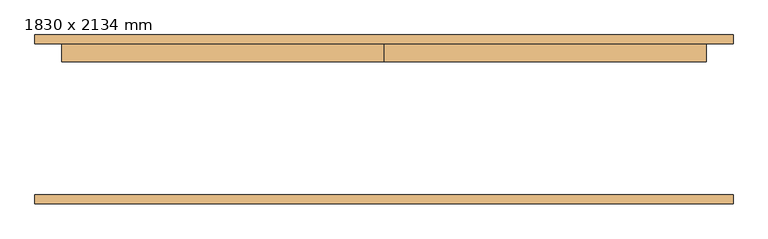
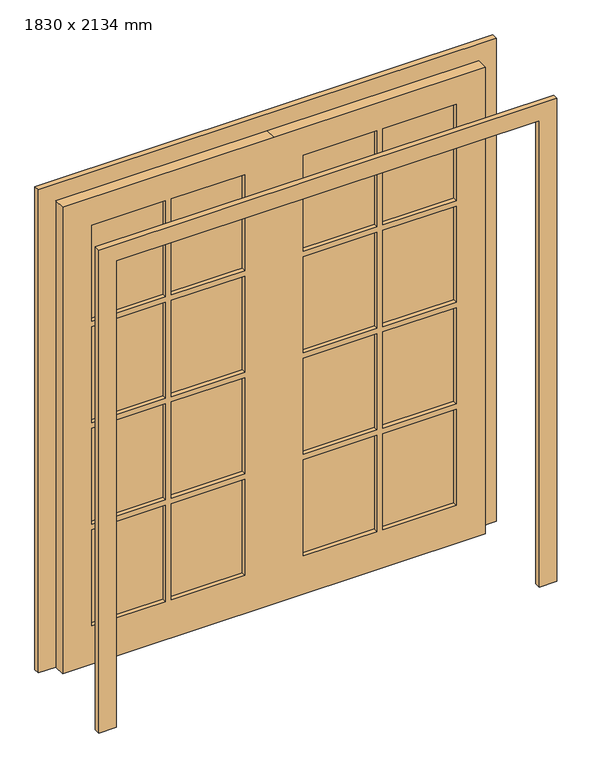
"""IFC4 building model written with IfcOpenShell, lengths in millimetres: door geometry, 1830 x 2134 mm."""

from ifc_helpers import new_model, si_unit, frame, origin, place, context, project, spatial, polyline, outline, extrude, source, transform, mapped, element, save


def door_1830_x_2134_mm_bb0823d5(model_context):
    return source(origin(), model_context, "Body", "SweptSolid", [
        extrude(outline(polyline([(470.0, 195.45), (788.0, 195.45), (788.0, 182.75), (470.0, 182.75), (470.0, 195.45)])), frame((0.0, 0.0, 1569.25), z_axis=(0.0, 0.0, 1.0), x_axis=(1.0, 0.0, 0.0)), (0.0, 0.0, 1.0), 439.75),
        extrude(outline(polyline([(127.0, 195.45), (445.0, 195.45), (445.0, 182.75), (127.0, 182.75), (127.0, 195.45)])), frame((0.0, 0.0, 1569.25), z_axis=(0.0, 0.0, 1.0), x_axis=(1.0, 0.0, 0.0)), (0.0, 0.0, 1.0), 439.75),
        extrude(outline(polyline([(-445.0, 195.45), (-127.0, 195.45), (-127.0, 182.75), (-445.0, 182.75), (-445.0, 195.45)])), frame((0.0, 0.0, 1569.25), z_axis=(0.0, 0.0, 1.0), x_axis=(1.0, 0.0, 0.0)), (0.0, 0.0, 1.0), 439.75),
        extrude(outline(polyline([(-788.0, 195.45), (-470.0, 195.45), (-470.0, 182.75), (-788.0, 182.75), (-788.0, 195.45)])), frame((0.0, 0.0, 1569.25), z_axis=(0.0, 0.0, 1.0), x_axis=(1.0, 0.0, 0.0)), (0.0, 0.0, 1.0), 439.75),
        extrude(outline(polyline([(-788.0, 195.45), (-470.0, 195.45), (-470.0, 182.75), (-788.0, 182.75), (-788.0, 195.45)])), frame((0.0, 0.0, 1104.5), z_axis=(0.0, 0.0, 1.0), x_axis=(1.0, 0.0, 0.0)), (0.0, 0.0, 1.0), 439.75),
        extrude(outline(polyline([(-445.0, 195.45), (-127.0, 195.45), (-127.0, 182.75), (-445.0, 182.75), (-445.0, 195.45)])), frame((0.0, 0.0, 1104.5), z_axis=(0.0, 0.0, 1.0), x_axis=(1.0, 0.0, 0.0)), (0.0, 0.0, 1.0), 439.75),
        extrude(outline(polyline([(127.0, 195.45), (445.0, 195.45), (445.0, 182.75), (127.0, 182.75), (127.0, 195.45)])), frame((0.0, 0.0, 1104.5), z_axis=(0.0, 0.0, 1.0), x_axis=(1.0, 0.0, 0.0)), (0.0, 0.0, 1.0), 439.75),
        extrude(outline(polyline([(470.0, 195.45), (788.0, 195.45), (788.0, 182.75), (470.0, 182.75), (470.0, 195.45)])), frame((0.0, 0.0, 1104.5), z_axis=(0.0, 0.0, 1.0), x_axis=(1.0, 0.0, 0.0)), (0.0, 0.0, 1.0), 439.75),
        extrude(outline(polyline([(470.0, 195.45), (788.0, 195.45), (788.0, 182.75), (470.0, 182.75), (470.0, 195.45)])), frame((0.0, 0.0, 639.75), z_axis=(0.0, 0.0, 1.0), x_axis=(1.0, 0.0, 0.0)), (0.0, 0.0, 1.0), 439.75),
        extrude(outline(polyline([(127.0, 195.45), (445.0, 195.45), (445.0, 182.75), (127.0, 182.75), (127.0, 195.45)])), frame((0.0, 0.0, 639.75), z_axis=(0.0, 0.0, 1.0), x_axis=(1.0, 0.0, 0.0)), (0.0, 0.0, 1.0), 439.75),
        extrude(outline(polyline([(-445.0, 195.45), (-127.0, 195.45), (-127.0, 182.75), (-445.0, 182.75), (-445.0, 195.45)])), frame((0.0, 0.0, 639.75), z_axis=(0.0, 0.0, 1.0), x_axis=(1.0, 0.0, 0.0)), (0.0, 0.0, 1.0), 439.75),
        extrude(outline(polyline([(-788.0, 195.45), (-470.0, 195.45), (-470.0, 182.75), (-788.0, 182.75), (-788.0, 195.45)])), frame((0.0, 0.0, 639.75), z_axis=(0.0, 0.0, 1.0), x_axis=(1.0, 0.0, 0.0)), (0.0, 0.0, 1.0), 439.75),
        extrude(outline(polyline([(470.0, 195.45), (788.0, 195.45), (788.0, 182.75), (470.0, 182.75), (470.0, 195.45)])), frame((0.0, 0.0, 175.0), z_axis=(0.0, 0.0, 1.0), x_axis=(1.0, 0.0, 0.0)), (0.0, 0.0, 1.0), 439.75),
        extrude(outline(polyline([(127.0, 195.45), (445.0, 195.45), (445.0, 182.75), (127.0, 182.75), (127.0, 195.45)])), frame((0.0, 0.0, 175.0), z_axis=(0.0, 0.0, 1.0), x_axis=(1.0, 0.0, 0.0)), (0.0, 0.0, 1.0), 439.75),
        extrude(outline(polyline([(-445.0, 195.45), (-127.0, 195.45), (-127.0, 182.75), (-445.0, 182.75), (-445.0, 195.45)])), frame((0.0, 0.0, 175.0), z_axis=(0.0, 0.0, 1.0), x_axis=(1.0, 0.0, 0.0)), (0.0, 0.0, 1.0), 439.75),
        extrude(outline(polyline([(-788.0, 195.45), (-470.0, 195.45), (-470.0, 182.75), (-788.0, 182.75), (-788.0, 195.45)])), frame((0.0, 0.0, 175.0), z_axis=(0.0, 0.0, 1.0), x_axis=(1.0, 0.0, 0.0)), (0.0, 0.0, 1.0), 439.75),
        extrude(outline(polyline([(2134.0, 0.0), (2134.0, -915.0), (0.0, -915.0), (0.0, 0.0), (0.0, 915.0), (2134.0, 915.0), (2134.0, 0.0)]), holes=[polyline([(2009.0, 470.0), (2009.0, 788.0), (1569.25, 788.0), (1569.25, 470.0), (2009.0, 470.0)]), polyline([(2009.0, 127.0), (2009.0, 445.0), (1569.25, 445.0), (1569.25, 127.0), (2009.0, 127.0)]), polyline([(1544.25, 470.0), (1544.25, 788.0), (1104.5, 788.0), (1104.5, 470.0), (1544.25, 470.0)]), polyline([(1544.25, 127.0), (1544.25, 445.0), (1104.5, 445.0), (1104.5, 127.0), (1544.25, 127.0)]), polyline([(1079.5, 470.0), (1079.5, 788.0), (639.75, 788.0), (639.75, 470.0), (1079.5, 470.0)]), polyline([(1079.5, 127.0), (1079.5, 445.0), (639.75, 445.0), (639.75, 127.0), (1079.5, 127.0)]), polyline([(614.75, 470.0), (614.75, 788.0), (175.0, 788.0), (175.0, 470.0), (614.75, 470.0)]), polyline([(614.75, 127.0), (614.75, 445.0), (175.0, 445.0), (175.0, 127.0), (614.75, 127.0)]), polyline([(2009.0, -445.0), (2009.0, -127.0), (1569.25, -127.0), (1569.25, -445.0), (2009.0, -445.0)]), polyline([(1544.25, -445.0), (1544.25, -127.0), (1104.5, -127.0), (1104.5, -445.0), (1544.25, -445.0)]), polyline([(1544.25, -470.0), (1104.5, -470.0), (1104.5, -788.0), (1544.25, -788.0), (1544.25, -470.0)]), polyline([(1079.5, -445.0), (1079.5, -127.0), (639.75, -127.0), (639.75, -445.0), (1079.5, -445.0)]), polyline([(1079.5, -470.0), (639.75, -470.0), (639.75, -788.0), (1079.5, -788.0), (1079.5, -470.0)]), polyline([(614.75, -445.0), (614.75, -127.0), (175.0, -127.0), (175.0, -445.0), (614.75, -445.0)]), polyline([(614.75, -788.0), (614.75, -470.0), (175.0, -470.0), (175.0, -788.0), (614.75, -788.0)]), polyline([(1569.25, -470.0), (1569.25, -788.0), (2009.0, -788.0), (2009.0, -470.0), (1569.25, -470.0)])]), frame((0.0, 163.5, 0.0), z_axis=(0.0, 1.0, 0.0), x_axis=(0.0, 0.0, 1.0)), (0.0, 0.0, 1.0), 51.0),
        extrude(outline(polyline([(2134.0, -915.0), (2134.0, 915.0), (0.0, 915.0), (0.0, 991.2), (2210.2, 991.2), (2210.2, -991.2), (0.0, -991.2), (0.0, -915.0), (2134.0, -915.0)])), frame((0.0, -239.5, 0.0), z_axis=(0.0, 1.0, 0.0), x_axis=(0.0, 0.0, 1.0)), (0.0, 0.0, 1.0), 25.0),
        extrude(outline(polyline([(2134.0, -915.0), (2134.0, 915.0), (0.0, 915.0), (0.0, 991.2), (2210.2, 991.2), (2210.2, -991.2), (0.0, -991.2), (0.0, -915.0), (2134.0, -915.0)])), frame((0.0, 214.5, 0.0), z_axis=(0.0, 1.0, 0.0), x_axis=(0.0, 0.0, 1.0)), (0.0, 0.0, 1.0), 25.0),
    ])


if __name__ == "__main__":
    model = new_model("IFC4")
    model_context = context("Model", 3, world=origin())
    ifc_project = project(units=[si_unit("LENGTHUNIT", "METRE", prefix="MILLI")], contexts=[model_context])
    site = spatial("IfcSite", under=ifc_project)
    building = spatial("IfcBuilding", under=site)
    placement = place(None, origin())
    door_1830_x_2134_mm_shape = door_1830_x_2134_mm_bb0823d5(model_context)
    element("IfcDoor", 1, ObjectType="1830 x 2134 mm", at=placement, inside=building, context=model_context, shape_type="MappedRepresentation", body=[
        mapped(door_1830_x_2134_mm_shape, transform((0.0, 0.0, 0.0), x_axis=(1.0, 0.0, 0.0), y_axis=(0.0, 1.0, 0.0), z_axis=(0.0, 0.0, 1.0))),
    ])
    save(model, "model.ifc")
